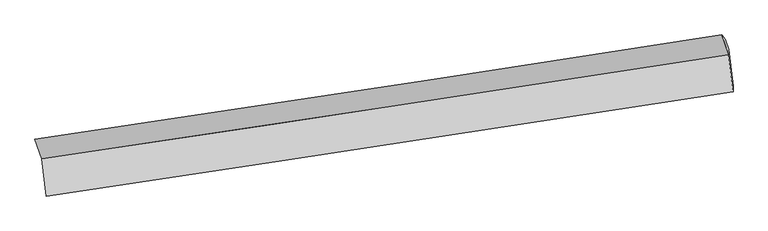
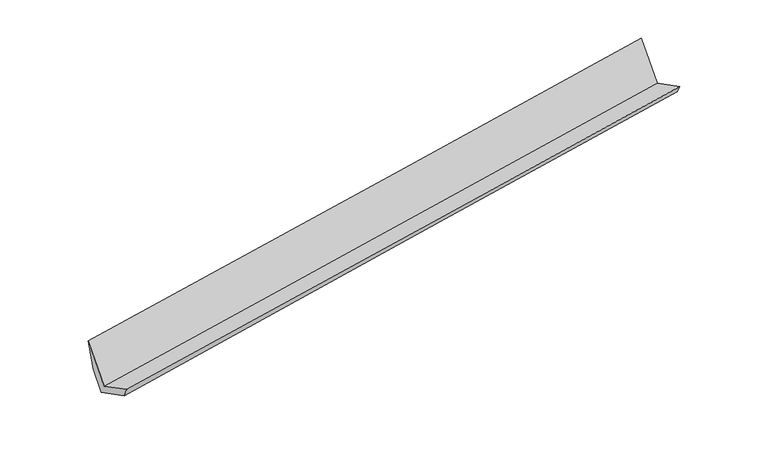
"""IFC4 building model written with IfcOpenShell, lengths in millimetres: proxy geometry."""

import ifcopenshell
import ifcopenshell.guid

model = None  # the IFC model being written
_history = None  # IfcOwnerHistory: only IFC2X3 demands one
_inside = {}  # id of a spatial element -> (the spatial element, [elements in it])
_under = {}  # id of a project, library or spatial element -> (it, [spatial elements below it])
_declared = {}  # id of a project -> (the project, [libraries it declares])
_typed = {}  # id of a type object -> (the type object, [elements of that type])
_made_of = {}  # id of a material, layer set ... -> (it, [elements and type objects made of it])


def new_model(schema):
    """Start an empty IFC model of exactly this schema.

    Asked for "IFC4X3", IfcOpenShell would pick the latest addendum, in which some entities
    have other attributes; the version numbers below select the first issue.
    IFC2X3 requires an IfcOwnerHistory on every rooted entity: one is made here for all.
    """
    global model, _history
    if schema == "IFC4X3":
        model = ifcopenshell.file(schema_version=(4, 3, 0, 0))
    else:
        model = ifcopenshell.file(schema=schema)
    _inside.clear()
    _under.clear()
    _declared.clear()
    _typed.clear()
    _made_of.clear()
    _history = None
    if model.schema == "IFC2X3":
        org = make("IfcOrganization", Name="unknown")
        user = make(
            "IfcPersonAndOrganization",
            ThePerson=make("IfcPerson", FamilyName="unknown"),
            TheOrganization=org,
        )
        app = make(
            "IfcApplication",
            ApplicationDeveloper=org,
            Version="unknown",
            ApplicationFullName="unknown",
            ApplicationIdentifier="unknown",
        )
        _history = make(
            "IfcOwnerHistory",
            OwningUser=user,
            OwningApplication=app,
            ChangeAction="ADDED",
            CreationDate=0,
        )
    return model


def make(cls, **values):
    """One entity of the class cls with the attributes given. An attribute that is None is left unset."""
    return model.create_entity(
        cls, **{name: value for name, value in values.items() if value is not None}
    )


def rooted(cls, **values):
    """An entity with a GlobalId (a new one), such as an element, a storey or a relation."""
    return make(cls, GlobalId=ifcopenshell.guid.new(), OwnerHistory=_history, **values)


def si_unit(unit_type, name, prefix=None):
    """IfcSIUnit, for example si_unit("LENGTHUNIT", "METRE", prefix="MILLI")."""
    return make("IfcSIUnit", UnitType=unit_type, Prefix=prefix, Name=name)


def assignment(units):
    """IfcUnitAssignment: the units of a project."""
    return None if units is None else make("IfcUnitAssignment", Units=units)


def point(xyz):
    """IfcCartesianPoint."""
    return None if xyz is None else make("IfcCartesianPoint", Coordinates=xyz)


def direction(xyz):
    """IfcDirection."""
    return None if xyz is None else make("IfcDirection", DirectionRatios=xyz)


def frame(location, z_axis=None, x_axis=None):
    """IfcAxis2Placement3D, a coordinate frame: its origin and axes. An axis left out is left unset."""
    return make(
        "IfcAxis2Placement3D",
        Location=point(location),
        Axis=direction(z_axis),
        RefDirection=direction(x_axis),
    )


def origin():
    """The frame at (0, 0, 0) with its axes left unset."""
    return frame((0.0, 0.0, 0.0))


def place(relative_to, where):
    """IfcLocalPlacement: puts the frame where relative to a parent placement (None: the world)."""
    return make(
        "IfcLocalPlacement", PlacementRelTo=relative_to, RelativePlacement=where
    )


def context(
    kind, dimensions, precision=None, world=None, true_north=None, identifier=None
):
    """IfcGeometricRepresentationContext, for example the 3D "Model" context."""
    return make(
        "IfcGeometricRepresentationContext",
        ContextIdentifier=identifier,
        ContextType=kind,
        CoordinateSpaceDimension=dimensions,
        Precision=precision,
        WorldCoordinateSystem=world,
        TrueNorth=true_north,
    )


def project(units=None, contexts=None):
    """IfcProject with its units and contexts."""
    return rooted(
        "IfcProject",
        Name="project",
        RepresentationContexts=contexts,
        UnitsInContext=assignment(units),
    )


def spatial(cls, under=None, at=None, **own):
    """A site, building, storey or space (cls), placed at a placement, below another one or the project."""
    s = rooted(cls, ObjectPlacement=at, **own)
    if under is not None:
        _under.setdefault(under.id(), (under, []))[1].append(s)
    return s


def shape(context_of_items, identifier, shape_type, items):
    """IfcShapeRepresentation: the items that make up one representation, for example the "Body"."""
    return make(
        "IfcShapeRepresentation",
        ContextOfItems=context_of_items,
        RepresentationIdentifier=identifier,
        RepresentationType=shape_type,
        Items=items,
    )


def source(mapping_origin, context_of_items, identifier, shape_type, items):
    """IfcRepresentationMap: a shape defined once, which mapped items show again and again."""
    return make(
        "IfcRepresentationMap",
        MappingOrigin=mapping_origin,
        MappedRepresentation=shape(context_of_items, identifier, shape_type, items),
    )


def transform(
    local_origin,
    x_axis=None,
    y_axis=None,
    z_axis=None,
    scale=None,
    scale2=None,
    scale3=None,
    uniform=True,
):
    """IfcCartesianTransformationOperator3D, or its non-uniform kind. x_axis, y_axis, z_axis: its Axis1, 2, 3."""
    if uniform:
        return make(
            "IfcCartesianTransformationOperator3D",
            Axis1=direction(x_axis),
            Axis2=direction(y_axis),
            LocalOrigin=point(local_origin),
            Scale=scale,
            Axis3=direction(z_axis),
        )
    return make(
        "IfcCartesianTransformationOperator3DnonUniform",
        Axis1=direction(x_axis),
        Axis2=direction(y_axis),
        LocalOrigin=point(local_origin),
        Scale=scale,
        Axis3=direction(z_axis),
        Scale2=scale2,
        Scale3=scale3,
    )


def mapped(mapping_source, mapping_target):
    """IfcMappedItem: shows the shape of a source again, moved by a transform."""
    return make(
        "IfcMappedItem", MappingSource=mapping_source, MappingTarget=mapping_target
    )


def made_of(thing, what):
    """Note that an element or type object is made of a material, layer set ...; save() writes the relation."""
    if what is not None:
        _made_of.setdefault(what.id(), (what, []))[1].append(thing)
    return thing


def element(
    cls,
    number,
    at=None,
    inside=None,
    cuts=None,
    type_object=None,
    material=None,
    context=None,
    identifier="Body",
    shape_type=None,
    held_by="IfcProductDefinitionShape",
    body=None,
    shapes=None,
    **own,
):
    """One element of the class cls, such as IfcWall. Its Tag is "e" and its number.

    at: its placement. inside: the storey or other place that contains it. cuts: it is an
    opening in that element (IfcRelVoidsElement). A single representation is given by context,
    identifier, shape_type and body (its items); several are given by shapes. held_by: the class
    of the entity that holds the representations. save() writes the other relations.
    """
    e = rooted(cls, Tag="e%d" % number, ObjectPlacement=at, **own)
    if body is not None:
        shapes = [shape(context, identifier, shape_type, body)]
    if shapes is not None:
        e.Representation = make(held_by, Representations=shapes)
    if inside is not None:
        _inside.setdefault(inside.id(), (inside, []))[1].append(e)
    if cuts is not None:
        rooted(
            "IfcRelVoidsElement", RelatingBuildingElement=cuts, RelatedOpeningElement=e
        )
    if type_object is not None:
        _typed.setdefault(type_object.id(), (type_object, []))[1].append(e)
    return made_of(e, material)


def aggregate(whole, parts):
    """IfcRelAggregates: a whole, such as a stair, and the parts it consists of."""
    return rooted("IfcRelAggregates", RelatingObject=whole, RelatedObjects=parts)


def save(model, path):
    """Write the relations noted so far, then the file.

    IfcRelAggregates (storeys below a building ...), IfcRelContainedInSpatialStructure (elements
    in a storey), IfcRelDefinesByType, IfcRelAssociatesMaterial and IfcRelDeclares: one each for
    every whole, place, type object, material and project.
    """
    for whole, parts in _under.values():
        aggregate(whole, parts)
    for where, things in _inside.values():
        rooted(
            "IfcRelContainedInSpatialStructure",
            RelatedElements=things,
            RelatingStructure=where,
        )
    for kind, things in _typed.values():
        rooted("IfcRelDefinesByType", RelatedObjects=things, RelatingType=kind)
    for what, things in _made_of.values():
        rooted("IfcRelAssociatesMaterial", RelatedObjects=things, RelatingMaterial=what)
    for by, libraries in _declared.values():
        rooted("IfcRelDeclares", RelatingContext=by, RelatedDefinitions=libraries)
    model.write(path)


def plane_surface(at):
    """IfcPlane: the flat surface through the origin of the frame at, square to its z axis."""
    return make("IfcPlane", Position=at)


def spline_curve(degree, points, multiplicities, knots, weights=None):
    """IfcBSplineCurveWithKnots; with weights, IfcRationalBSplineCurveWithKnots."""
    own = dict(
        Degree=degree,
        ControlPointsList=[point(p) for p in points],
        CurveForm="UNSPECIFIED",
        ClosedCurve=False,
        SelfIntersect=False,
        KnotMultiplicities=multiplicities,
        Knots=knots,
        KnotSpec="UNSPECIFIED",
    )
    if weights is None:
        return make("IfcBSplineCurveWithKnots", **own)
    return make("IfcRationalBSplineCurveWithKnots", WeightsData=weights, **own)


def spline_surface(u_degree, v_degree, points, u_multiplicities, v_multiplicities, u_knots, v_knots, weights=None):
    """IfcBSplineSurfaceWithKnots; with weights, IfcRationalBSplineSurfaceWithKnots. points: one row for each step in u."""
    own = dict(
        UDegree=u_degree,
        VDegree=v_degree,
        ControlPointsList=[[point(p) for p in row] for row in points],
        SurfaceForm="UNSPECIFIED",
        UClosed=False,
        VClosed=False,
        SelfIntersect=False,
        UMultiplicities=u_multiplicities,
        VMultiplicities=v_multiplicities,
        UKnots=u_knots,
        VKnots=v_knots,
        KnotSpec="UNSPECIFIED",
    )
    if weights is None:
        return make("IfcBSplineSurfaceWithKnots", **own)
    return make("IfcRationalBSplineSurfaceWithKnots", WeightsData=weights, **own)


def advanced_brep(points, edges, surfaces, faces):
    """IfcAdvancedBrep: a solid bounded by faces that lie on surfaces and meet in shared edges.

    An edge is (start, end): straight between two places in points (the first is 0);
    or (start, end, curve); or (start, end, curve, False) where it runs against its curve.
    A face is (place in surfaces, loops), or (place, loops, False) where it looks against
    its surface's normal. A loop lists edges by number (the first is 1), with a minus sign
    where the edge is run from its end to its start. The first loop is the outer one.
    """
    corners = [point(p) for p in points]
    vertices = [make("IfcVertexPoint", VertexGeometry=c) for c in corners]
    made = []
    for start, end, *more in edges:
        made.append(
            make(
                "IfcEdgeCurve",
                EdgeStart=vertices[start],
                EdgeEnd=vertices[end],
                EdgeGeometry=more[0] if more else make("IfcPolyline", Points=[corners[start], corners[end]]),
                SameSense=more[1] if len(more) > 1 else True,
            )
        )
    hull = []
    for where, loops, *sense in faces:
        bounds = []
        for j, loop in enumerate(loops):
            ring = [make("IfcOrientedEdge", EdgeElement=made[abs(k) - 1], Orientation=k > 0) for k in loop]
            bounds.append(
                make(
                    "IfcFaceOuterBound" if j == 0 else "IfcFaceBound",
                    Bound=make("IfcEdgeLoop", EdgeList=ring),
                    Orientation=True,
                )
            )
        hull.append(make("IfcAdvancedFace", Bounds=bounds, FaceSurface=surfaces[where], SameSense=sense[0] if sense else True))
    return make("IfcAdvancedBrep", Outer=make("IfcClosedShell", CfsFaces=hull))


def generic_models_0c47d801(model_context):
    return source(origin(), model_context, "Body", "AdvancedBrep", [
        advanced_brep(
        [(-5863.9039589, -2465.28722, 1263.1544064), (-5793.530643, -3069.1501499, 1538.9393855), (5392.2263332, -1367.9179597, 2506.4879452), (5321.8530172, -764.0550299, 2230.702966), (-5975.2485738, -2146.4259276, 1989.7501935), (5210.5084024, -445.1937374, 2957.2987531), (-5920.4999916, -2210.2695592, 1462.6860992), (5264.9215179, -514.1034325, 2443.4339945), (-5863.0554445, -2374.7754276, 1087.8231925), (5320.9764396, -674.6297839, 2077.6392952), (-5791.6499141, -2987.4956358, 1367.6533022), (5391.327811, -1278.3044115, 2353.3382765)],
        [
            (0, 1),
            (1, 2, spline_curve(3, [(-5793.530643, -3069.1501499, 1538.9393855), (-3660.440732749, -2749.836254907, 1725.688656351), (-1527.677696473, -2427.651806192, 1911.128113901), (2200.764191902, -1859.311841879, 2233.068200827), (3796.586814465, -1614.418894452, 2370.144929005), (5392.2263332, -1367.9179597, 2506.4879452)], [4, 2, 4], [0.0, 21.30822404822812, 37.25620325836064])),
            (2, 3),
            (3, 0, spline_curve(3, [(5321.8530172, -764.0550299, 2230.702966), (3726.213498557, -1010.555964789, 2094.359949899), (2130.390875905, -1255.448912334, 1957.283221515), (-1598.051012244, -1823.788875817, 1635.34313485), (-3730.814048786, -2145.97332541, 1449.903677069), (-5863.9039589, -2465.28722, 1263.1544064)], [4, 2, 4], [0.0, 15.947979012621264, 37.256202796953])),
            (4, 0),
            (3, 5),
            (5, 4, spline_curve(3, [(5210.5084024, -445.1937374, 2957.2987531), (3614.868883757, -691.694672289, 2820.955736999), (2019.046261105, -936.587619834, 2683.879008715), (-1709.395627044, -1504.927583317, 2361.93892205), (-3842.158663686, -1827.11203301, 2176.499464169), (-5975.2485738, -2146.4259276, 1989.7501935)], [4, 2, 4], [0.0, 15.947979012621264, 37.256202796953])),
            (6, 4),
            (5, 7),
            (7, 6, spline_curve(3, [(5264.9215179, -514.1034325, 2443.4339945), (3668.631794553, -755.873496863, 2306.092900003), (2072.457785949, -997.751250806, 2167.639128676), (-1656.1069073, -1563.055403579, 1841.596820177), (-3788.406735147, -1886.56635835, 1653.134626695), (-5920.4999916, -2210.2695592, 1462.6860992)], [4, 2, 4], [0.0, 15.94799971255135, 37.256251154227144])),
            (8, 6),
            (7, 9),
            (9, 8, spline_curve(3, [(5320.9764396, -674.6297839, 2077.6392952), (3724.538313782, -915.974862173, 1941.26662475), (2128.364304956, -1157.852616073, 1802.812853693), (-1599.853703795, -1724.149582157, 1474.508201079), (-3731.690323123, -2048.987042269, 1283.023271545), (-5863.0554445, -2374.7754276, 1087.8231925)], [4, 2, 4], [0.0, 15.948048781679582, 37.256365785014594])),
            (10, 8),
            (9, 11),
            (11, 10, spline_curve(3, [(5391.327811, -1278.3044115, 2353.3382765), (3794.777108035, -1518.683481897, 2216.524428865), (2198.603099487, -1760.561236053, 2078.070657998), (-1529.351917295, -2329.114900586, 1750.796642764), (-3660.837149988, -2656.967554613, 1560.688756344), (-5791.6499141, -2987.4956358, 1367.6533022)], [4, 2, 4], [0.0, 15.94803954064108, 37.25634419694978])),
            (1, 10),
            (11, 2),
        ],
        [
            plane_surface(frame((-5828.7173009, -2767.218685, 1401.046896), z_axis=(-0.13896255317768383, 0.39795170492360143, 0.9068207371706597), x_axis=(0.10541589284145807, -0.9045580566851689, 0.41311283158767803))),
            spline_surface(3, 3, [[(-5975.2485738, -2146.4259276, 1989.7501935), (-3842.158663744, -1827.112032838, 2176.499464101), (-1709.395627293, -1504.927583568, 2361.938922126), (2019.046261292, -936.587619646, 2683.879008658), (3614.86888361, -691.694672163, 2820.955737154), (5210.5084024, -445.1937374, 2957.2987531)], [(-5938.133702185, -2252.71302509, 1747.551597778), (-3805.043792129, -1933.399130328, 1934.300868379), (-1672.280755678, -1611.214681058, 2119.740326405), (2056.161132907, -1042.874717136, 2441.680412936), (3651.983755225, -797.981769653, 2578.757141433), (5247.623274015, -551.48083489, 2715.100157378)], [(-5901.018830515, -2359.00012251, 1505.353002122), (-3767.928920459, -2039.686227748, 1692.102272723), (-1635.165884108, -1717.501778578, 1877.541730648), (2093.276004477, -1149.161814656, 2199.48181718), (3689.098626796, -904.268867173, 2336.558545776), (5284.738145585, -657.76793241, 2472.901561722)], [(-5863.9039589, -2465.28722, 1263.1544064), (-3730.814048844, -2145.973325238, 1449.903677001), (-1598.051012493, -1823.788876068, 1635.343134926), (2130.390876092, -1255.448912146, 1957.283221458), (3726.21349841, -1010.555964663, 2094.359950054), (5321.8530172, -764.0550299, 2230.702966)]], [4, 4], [4, 2, 4], [0.0, 2.6287934851583774], [0.0, 21.308223784331734, 37.256202796953]),
            spline_surface(3, 3, [[(-5920.4999916, -2210.2695592, 1462.6860992), (-3788.406735469, -1886.566358392, 1653.134626462), (-1656.106907596, -1563.055403488, 1841.596820307), (2072.457786171, -997.751250875, 2167.639128579), (3668.631794771, -755.873496847, 2306.092899831), (5264.9215179, -514.1034325, 2443.4339945)], [(-5938.749518977, -2188.988348673, 1638.374130631), (-3806.324044871, -1866.748249881, 1827.589572339), (-1673.869814161, -1543.679463537, 2015.044187587), (2054.653944545, -977.363373821, 2339.719088612), (3650.710824375, -734.480555286, 2477.713845607), (5246.783812724, -491.133534134, 2614.722247368)], [(-5956.999046423, -2167.707138127, 1814.062162069), (-3824.241354342, -1846.93014135, 2002.044518224), (-1691.632720728, -1524.303523518, 2188.491554846), (2036.850102918, -956.9754967, 2511.799048625), (3632.789854006, -713.087613724, 2649.334791379), (5228.646107576, -468.163635766, 2786.010500232)], [(-5975.2485738, -2146.4259276, 1989.7501935), (-3842.158663744, -1827.112032838, 2176.499464101), (-1709.395627293, -1504.927583568, 2361.938922126), (2019.046261292, -936.587619646, 2683.879008658), (3614.86888361, -691.694672163, 2820.955737154), (5210.5084024, -445.1937374, 2957.2987531)]], [4, 4], [4, 2, 4], [0.0, 1.7224909583241854], [0.0, 21.308251441675793, 37.256251154227144]),
            spline_surface(3, 3, [[(-5863.0554445, -2374.7754276, 1087.8231925), (-3731.69032325, -2048.987042612, 1283.023271853), (-1599.853703857, -1724.149581974, 1474.508201416), (2128.364305003, -1157.85261621, 1802.81285344), (3724.538313702, -915.974862282, 1941.266624793), (5320.9764396, -674.6297839, 2077.6392952)], [(-5882.20362689, -2319.940138135, 1212.777494745), (-3750.595794013, -1994.84681454, 1406.393723401), (-1618.604771783, -1670.451522463, 1596.871074367), (2109.728798713, -1104.485494416, 1924.421611807), (3705.902807412, -862.607740488, 2062.87538316), (5302.291465721, -621.121000118, 2199.570861654)], [(-5901.35180921, -2265.104848665, 1337.731796955), (-3769.501264706, -1940.706586464, 1529.764174915), (-1637.35583967, -1616.753462998, 1719.233947356), (2091.093292461, -1051.118372668, 2046.030370212), (3687.267301061, -809.240618641, 2184.484141464), (5283.606491779, -567.612216282, 2321.502428046)], [(-5920.4999916, -2210.2695592, 1462.6860992), (-3788.406735469, -1886.566358392, 1653.134626462), (-1656.106907596, -1563.055403488, 1841.596820307), (2072.457786171, -997.751250875, 2167.639128579), (3668.631794771, -755.873496847, 2306.092899831), (5264.9215179, -514.1034325, 2443.4339945)]], [4, 4], [4, 2, 4], [0.0, 1.3254933827425714], [0.0, 21.308317003335013, 37.256365785014594]),
            spline_surface(3, 3, [[(-5791.6499141, -2987.4956358, 1367.6533022), (-3660.837150207, -2656.967554696, 1560.688756222), (-1529.351917095, -2329.114900603, 1750.796643029), (2198.603099337, -1760.561236041, 2078.0706578), (3794.777107937, -1518.683482013, 2216.524429052), (5391.327811, -1278.3044115, 2353.3382765)], [(-5815.451757567, -2783.255566381, 1274.376598977), (-3684.454874555, -2454.307383983, 1468.133594776), (-1552.852512673, -2127.459794397, 1658.70049584), (2175.190167902, -1559.658362767, 1986.318056363), (3771.364176501, -1317.78060874, 2124.771827615), (5367.877353843, -1077.079535604, 2261.438616049)], [(-5839.253601033, -2579.015497019, 1181.099895723), (-3708.072598903, -2251.647213325, 1375.578433299), (-1576.353108279, -1925.80468818, 1566.604348604), (2151.777236438, -1358.755489483, 1894.565454878), (3747.951245138, -1116.877735555, 2033.01922623), (5344.426896757, -875.854659796, 2169.538955651)], [(-5863.0554445, -2374.7754276, 1087.8231925), (-3731.69032325, -2048.987042612, 1283.023271853), (-1599.853703857, -1724.149581974, 1474.508201416), (2128.364305003, -1157.85261621, 1802.81285344), (3724.538313702, -915.974862282, 1941.266624793), (5320.9764396, -674.6297839, 2077.6392952)]], [4, 4], [4, 2, 4], [0.0, 2.191596395931927], [0.0, 21.308304656308703, 37.25634419694978]),
            spline_surface(3, 3, [[(-5793.530643, -3069.1501499, 1538.9393855), (-3660.440732944, -2749.836255138, 1725.688656101), (-1527.677696593, -2427.651805968, 1911.128114126), (2200.764191992, -1859.311842046, 2233.068200658), (3796.58681441, -1614.418894463, 2370.144929254), (5392.2263332, -1367.9179597, 2506.4879452)], [(-5792.903733359, -3041.931978535, 1481.844024371), (-3660.572872024, -2718.88002166, 1670.688689446), (-1528.235770117, -2394.80617086, 1857.684290407), (2200.043827751, -1826.394973391, 2181.402353019), (3795.983578939, -1582.507090316, 2318.938095872), (5391.92682582, -1338.046776969, 2455.438055652)], [(-5792.276823741, -3014.713807165, 1424.748663329), (-3660.705011127, -2687.923788175, 1615.688722877), (-1528.793843571, -2361.960535711, 1804.240466748), (2199.323463579, -1793.478104696, 2129.73650544), (3795.380343408, -1550.595286161, 2267.731262434), (5391.62731838, -1308.175594231, 2404.388166048)], [(-5791.6499141, -2987.4956358, 1367.6533022), (-3660.837150207, -2656.967554696, 1560.688756222), (-1529.351917095, -2329.114900603, 1750.796643029), (2198.603099337, -1760.561236041, 2078.0706578), (3794.777107937, -1518.683482013, 2216.524429052), (5391.327811, -1278.3044115, 2353.3382765)]], [4, 4], [4, 2, 4], [0.0, 0.6120409465558445], [0.0, 21.30822404822812, 37.25620325836064]),
            plane_surface(frame((5316.9689202, -840.7007258, 2428.1502051), z_axis=(0.9846709594330221, 0.15300053148401072, 0.08374926277205332), x_axis=(-0.13896255317768297, 0.39795170492359744, 0.9068207371706615))),
            plane_surface(frame((-5867.981421, -2542.2339867, 1451.6677632), z_axis=(-0.9846709594330381, -0.1530005314838736, -0.08374926277211522), x_axis=(-0.10541589284145239, 0.9045580566851739, -0.4131128315876685))),
        ],
        [
            (0, [[1, 2, 3, 4]]),
            (1, [[5, -4, 6, 7]]),
            (2, [[8, -7, 9, 10]]),
            (3, [[11, -10, 12, 13]]),
            (4, [[14, -13, 15, 16]]),
            (5, [[17, -16, 18, -2]]),
            (6, [[-12, -9, -6, -3, -18, -15]]),
            (7, [[-1, -5, -8, -11, -14, -17]]),
        ],
    ),
    ])


if __name__ == "__main__":
    model = new_model("IFC4")
    model_context = context("Model", 3, world=origin())
    ifc_project = project(units=[si_unit("LENGTHUNIT", "METRE", prefix="MILLI")], contexts=[model_context])
    site = spatial("IfcSite", under=ifc_project)
    building = spatial("IfcBuilding", under=site)
    placement = place(None, origin())
    generic_models_shape = generic_models_0c47d801(model_context)
    element("IfcBuildingElementProxy", 1, Name="Generic Models", at=placement, inside=building, context=model_context, shape_type="MappedRepresentation", body=[
        mapped(generic_models_shape, transform((0.0, 0.0, 0.0), x_axis=(1.0, 0.0, 0.0), y_axis=(0.0, 1.0, 0.0), z_axis=(0.0, 0.0, 1.0))),
    ])
    save(model, "model.ifc")
